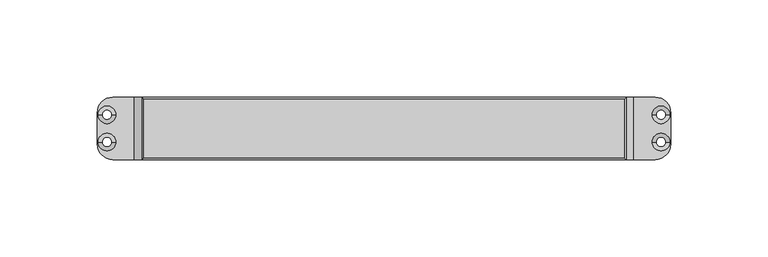
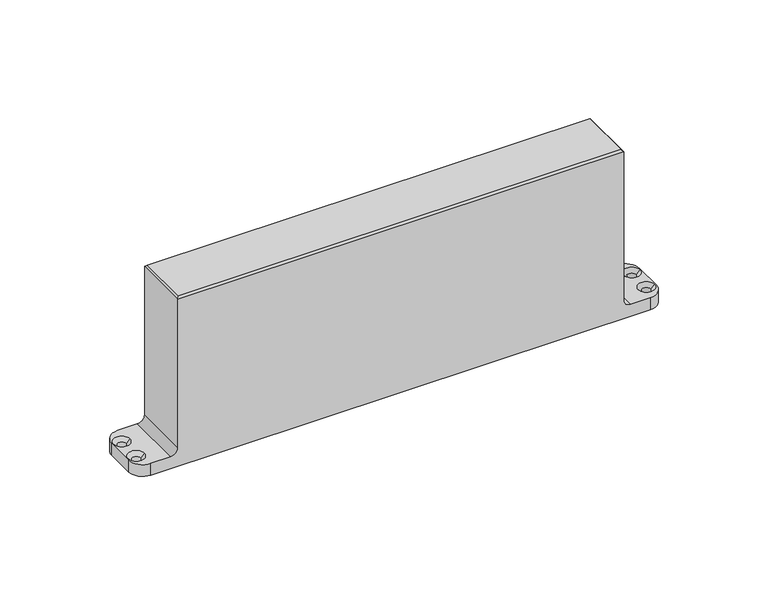
"""IFC4 building model written with IfcOpenShell, lengths in millimetres: proxy geometry."""

from ifc_helpers import new_model, si_unit, frame, origin, origin_with_axes, place, context, project, spatial, polyline, circle_curve, ellipse_curve, source, transform, mapped, element, save
from ifc_brep_helpers import plane_surface, cylinder_surface, revolved_surface, spline_surface, advanced_brep


def generic_models_6d0951c1(model_context):
    return source(origin(), model_context, "Body", "AdvancedBrep", [
        advanced_brep(
        [(7.5, 0.0, 1.0), (-7.5, 0.0, 1.0), (6.75, 0.0, -8.6), (-6.75, 0.0, -8.6)],
        [
            (0, 1, ellipse_curve(frame((0.0, 0.0, 1.0), z_axis=(0.0, 0.0, 1.0), x_axis=(-1.0, 0.0, 0.0)), 7.5, 4.8)),
            (1, 0, ellipse_curve(frame((0.0, 0.0, 1.0), z_axis=(0.0, 0.0, 1.0), x_axis=(-1.0, 0.0, 0.0)), 7.5, 4.8)),
            (2, 3, ellipse_curve(frame((0.0, 0.0, -8.6), z_axis=(0.0, 0.0, -1.0), x_axis=(-1.0, 0.0, 0.0)), 6.75, 4.0)),
            (3, 2, ellipse_curve(frame((0.0, 0.0, -8.6), z_axis=(0.0, 0.0, -1.0), x_axis=(-1.0, 0.0, 0.0)), 6.75, 4.0)),
            (3, 1),
            (0, 2),
        ],
        [
            plane_surface(frame((0.0, 0.0, 1.0), z_axis=(0.0, 0.0, 1.0), x_axis=(0.0, 1.0, 0.0))),
            plane_surface(frame((0.0, 0.0, -8.6), z_axis=(0.0, 0.0, -1.0), x_axis=(0.0, 1.0, 0.0))),
            spline_surface(2, 1, [[(6.75, 0.0, -8.6), (7.5, 0.0, 1.0)], [(6.75, 4.0, -8.6), (7.5, 4.8, 1.0)], [(0.0, 4.0, -8.6), (0.0, 4.8, 1.0)], [(-6.75, 4.0, -8.6), (-7.5, 4.8, 1.0)], [(-6.75, 0.0, -8.6), (-7.5, 0.0, 1.0)]], [3, 2, 3], [2, 2], [0.0, 1.0, 2.0], [0.0, 1.0], weights=[[1.0, 1.0], [0.7071067811865476, 0.7071067811865476], [1.0, 1.0], [0.7071067811865476, 0.7071067811865476], [1.0, 1.0]]),
            spline_surface(2, 1, [[(-6.75, 0.0, -8.6), (-7.5, 0.0, 1.0)], [(-6.75, -4.0, -8.6), (-7.5, -4.8, 1.0)], [(0.0, -4.0, -8.6), (0.0, -4.8, 1.0)], [(6.75, -4.0, -8.6), (7.5, -4.8, 1.0)], [(6.75, 0.0, -8.6), (7.5, 0.0, 1.0)]], [3, 2, 3], [2, 2], [0.0, 1.0, 2.0], [0.0, 1.0], weights=[[1.0, 1.0], [0.7071067811865476, 0.7071067811865476], [1.0, 1.0], [0.7071067811865476, 0.7071067811865476], [1.0, 1.0]]),
        ],
        [
            (0, [[1, 2]]),
            (1, [[3, 4]]),
            (2, [[-4, 5, -1, 6]]),
            (3, [[-3, -6, -2, -5]]),
        ],
    ),
        advanced_brep(
        [(213.9, -16.0, 7.0), (209.9, -16.0, 11.0), (209.9, -16.0, 98.6), (-39.0, -16.0, 98.6), (-39.0, -16.0, 11.0), (-43.0, -16.0, 7.0), (-54.0, -16.0, 7.0), (-54.0, -16.0, 0.0), (224.8, -16.0, 0.0), (224.8, -16.0, 7.0), (-43.0, 16.0, 7.0), (-39.0, 16.0, 11.0), (-39.0, 16.0, 98.6), (209.9, 16.0, 98.6), (209.9, 16.0, 11.0), (213.9, 16.0, 7.0), (224.8, 16.0, 7.0), (224.8, 16.0, 0.0), (-54.0, 16.0, 0.0), (-54.0, 16.0, 7.0), (-62.0, -8.0, 7.0), (-62.0, 8.0, 7.0), (-62.0, 8.0, 0.0), (-62.0, -8.0, 0.0), (232.8, 8.0, 0.0), (232.8, -8.0, 0.0), (-54.5, -7.0, 0.0), (-59.5, -7.0, 0.0), (-54.5, 7.0, 0.0), (-59.5, 7.0, 0.0), (230.3, -7.0, 0.0), (225.3, -7.0, 0.0), (230.3, 7.0, 0.0), (225.3, 7.0, 0.0), (-14.0, 0.0, 0.0), (14.0, 0.0, 0.0), (232.8, 8.0, 7.0), (232.8, -8.0, 7.0), (223.3, -7.0, 7.0), (232.3, -7.0, 7.0), (223.3, 7.0, 7.0), (232.3, 7.0, 7.0), (208.9, 15.0, 99.6), (-38.0, 15.0, 99.6), (-38.0, -15.0, 99.6), (208.9, -15.0, 99.6), (-61.5, -7.0, 7.0), (-52.5, -7.0, 7.0), (-61.5, 7.0, 7.0), (-52.5, 7.0, 7.0), (-54.5, -7.0, 5.0), (-59.5, -7.0, 5.0), (-54.5, 7.0, 5.0), (-59.5, 7.0, 5.0), (225.3, -7.0, 5.0), (230.3, -7.0, 5.0), (225.3, 7.0, 5.0), (230.3, 7.0, 5.0), (-14.0, 0.0, 1.0), (14.0, 0.0, 1.0)],
        [
            (0, 1, circle_curve(frame((213.9, -16.0, 11.0), z_axis=(0.0, 1.0, 0.0), x_axis=(1.0, 0.0, 0.0)), 4.0)),
            (1, 2),
            (2, 3),
            (3, 4),
            (4, 5, circle_curve(frame((-43.0, -16.0, 11.0), z_axis=(0.0, 1.0, 0.0), x_axis=(1.0, 0.0, 0.0)), 4.0)),
            (5, 6),
            (6, 7),
            (7, 8),
            (8, 9),
            (9, 0),
            (10, 11, circle_curve(frame((-43.0, 16.0, 11.0), z_axis=(0.0, -1.0, 0.0), x_axis=(1.0, 0.0, 0.0)), 4.0)),
            (11, 12),
            (12, 13),
            (13, 14),
            (14, 15, circle_curve(frame((213.9, 16.0, 11.0), z_axis=(0.0, -1.0, 0.0), x_axis=(1.0, 0.0, 0.0)), 4.0)),
            (15, 16),
            (16, 17),
            (17, 18),
            (18, 19),
            (19, 10),
            (20, 21),
            (21, 22),
            (22, 23),
            (23, 20),
            (7, 23, circle_curve(frame((-54.0, -8.0, 0.0), z_axis=(0.0, 0.0, -1.0), x_axis=(1.0, 0.0, 0.0)), 8.0)),
            (22, 18, circle_curve(frame((-54.0, 8.0, 0.0), z_axis=(0.0, 0.0, -1.0), x_axis=(1.0, 0.0, 0.0)), 8.0)),
            (17, 24, circle_curve(frame((224.8, 8.0, 0.0), z_axis=(0.0, 0.0, -1.0), x_axis=(-1.0, 0.0, 0.0)), 8.0)),
            (24, 25),
            (25, 8, circle_curve(frame((224.8, -8.0, 0.0), z_axis=(0.0, 0.0, -1.0), x_axis=(-1.0, 0.0, 0.0)), 8.0)),
            (26, 27, circle_curve(frame((-57.0, -7.0, 0.0), z_axis=(0.0, 0.0, 1.0), x_axis=(-1.0, 0.0, 0.0)), 2.5)),
            (27, 26, circle_curve(frame((-57.0, -7.0, 0.0), z_axis=(0.0, 0.0, 1.0), x_axis=(-1.0, 0.0, 0.0)), 2.5)),
            (28, 29, circle_curve(frame((-57.0, 7.0, 0.0), z_axis=(0.0, 0.0, 1.0), x_axis=(-1.0, 0.0, 0.0)), 2.5)),
            (29, 28, circle_curve(frame((-57.0, 7.0, 0.0), z_axis=(0.0, 0.0, 1.0), x_axis=(-1.0, 0.0, 0.0)), 2.5)),
            (30, 31, circle_curve(frame((227.8, -7.0, 0.0), z_axis=(0.0, 0.0, 1.0), x_axis=(1.0, 0.0, 0.0)), 2.5)),
            (31, 30, circle_curve(frame((227.8, -7.0, 0.0), z_axis=(0.0, 0.0, 1.0), x_axis=(1.0, 0.0, 0.0)), 2.5)),
            (32, 33, circle_curve(frame((227.8, 7.0, 0.0), z_axis=(0.0, 0.0, 1.0), x_axis=(1.0, 0.0, 0.0)), 2.5)),
            (33, 32, circle_curve(frame((227.8, 7.0, 0.0), z_axis=(0.0, 0.0, 1.0), x_axis=(1.0, 0.0, 0.0)), 2.5)),
            (34, 35, circle_curve(origin_with_axes(), 14.0)),
            (35, 34, circle_curve(origin_with_axes(), 14.0)),
            (24, 36),
            (36, 37),
            (37, 25),
            (15, 0),
            (9, 37, circle_curve(frame((224.8, -8.0, 7.0), z_axis=(0.0, 0.0, 1.0), x_axis=(-1.0, 0.0, 0.0)), 8.0)),
            (36, 16, circle_curve(frame((224.8, 8.0, 7.0), z_axis=(0.0, 0.0, 1.0), x_axis=(-1.0, 0.0, 0.0)), 8.0)),
            (38, 39, circle_curve(frame((227.8, -7.0, 7.0), z_axis=(0.0, 0.0, -1.0), x_axis=(1.0, 0.0, 0.0)), 4.5)),
            (39, 38, circle_curve(frame((227.8, -7.0, 7.0), z_axis=(0.0, 0.0, -1.0), x_axis=(1.0, 0.0, 0.0)), 4.5)),
            (40, 41, circle_curve(frame((227.8, 7.0, 7.0), z_axis=(0.0, 0.0, -1.0), x_axis=(1.0, 0.0, 0.0)), 4.5)),
            (41, 40, circle_curve(frame((227.8, 7.0, 7.0), z_axis=(0.0, 0.0, -1.0), x_axis=(1.0, 0.0, 0.0)), 4.5)),
            (14, 1),
            (13, 2),
            (42, 43),
            (43, 44),
            (44, 45),
            (45, 42),
            (11, 4),
            (3, 12),
            (10, 5),
            (19, 21, circle_curve(frame((-54.0, 8.0, 7.0), z_axis=(0.0, 0.0, 1.0), x_axis=(1.0, 0.0, 0.0)), 8.0)),
            (20, 6, circle_curve(frame((-54.0, -8.0, 7.0), z_axis=(0.0, 0.0, 1.0), x_axis=(1.0, 0.0, 0.0)), 8.0)),
            (46, 47, circle_curve(frame((-57.0, -7.0, 7.0), z_axis=(0.0, 0.0, -1.0), x_axis=(-1.0, 0.0, 0.0)), 4.5)),
            (47, 46, circle_curve(frame((-57.0, -7.0, 7.0), z_axis=(0.0, 0.0, -1.0), x_axis=(-1.0, 0.0, 0.0)), 4.5)),
            (48, 49, circle_curve(frame((-57.0, 7.0, 7.0), z_axis=(0.0, 0.0, -1.0), x_axis=(-1.0, 0.0, 0.0)), 4.5)),
            (49, 48, circle_curve(frame((-57.0, 7.0, 7.0), z_axis=(0.0, 0.0, -1.0), x_axis=(-1.0, 0.0, 0.0)), 4.5)),
            (50, 47),
            (46, 51),
            (51, 50, circle_curve(frame((-57.0, -7.0, 5.0), z_axis=(0.0, 0.0, -1.0), x_axis=(-1.0, 0.0, 0.0)), 2.5)),
            (50, 51, circle_curve(frame((-57.0, -7.0, 5.0), z_axis=(0.0, 0.0, -1.0), x_axis=(-1.0, 0.0, 0.0)), 2.5)),
            (51, 27),
            (26, 50),
            (52, 49),
            (48, 53),
            (53, 52, circle_curve(frame((-57.0, 7.0, 5.0), z_axis=(0.0, 0.0, -1.0), x_axis=(-1.0, 0.0, 0.0)), 2.5)),
            (52, 53, circle_curve(frame((-57.0, 7.0, 5.0), z_axis=(0.0, 0.0, -1.0), x_axis=(-1.0, 0.0, 0.0)), 2.5)),
            (53, 29),
            (28, 52),
            (38, 54),
            (54, 55, circle_curve(frame((227.8, -7.0, 5.0), z_axis=(0.0, 0.0, -1.0), x_axis=(1.0, 0.0, 0.0)), 2.5)),
            (55, 39),
            (55, 54, circle_curve(frame((227.8, -7.0, 5.0), z_axis=(0.0, 0.0, -1.0), x_axis=(1.0, 0.0, 0.0)), 2.5)),
            (54, 31),
            (30, 55),
            (40, 56),
            (56, 57, circle_curve(frame((227.8, 7.0, 5.0), z_axis=(0.0, 0.0, -1.0), x_axis=(1.0, 0.0, 0.0)), 2.5)),
            (57, 41),
            (57, 56, circle_curve(frame((227.8, 7.0, 5.0), z_axis=(0.0, 0.0, -1.0), x_axis=(1.0, 0.0, 0.0)), 2.5)),
            (56, 33),
            (32, 57),
            (42, 13),
            (12, 43),
            (45, 2),
            (44, 3),
            (58, 59, circle_curve(frame((0.0, 0.0, 1.0), z_axis=(0.0, 0.0, -1.0), x_axis=(1.0, 0.0, 0.0)), 14.0)),
            (59, 58, circle_curve(frame((0.0, 0.0, 1.0), z_axis=(0.0, 0.0, -1.0), x_axis=(1.0, 0.0, 0.0)), 14.0)),
            (59, 35),
            (34, 58),
        ],
        [
            plane_surface(frame((-62.0, -16.0, 0.0), z_axis=(0.0, -1.0, 0.0), x_axis=(0.0, 0.0, -1.0))),
            plane_surface(frame((-62.0, 16.0, 0.0), z_axis=(0.0, 1.0, 0.0), x_axis=(0.0, 0.0, 1.0))),
            plane_surface(frame((-62.0, -16.0, 7.0), z_axis=(-1.0, 0.0, 0.0), x_axis=(0.0, 1.0, 0.0))),
            plane_surface(frame((-62.0, -16.0, 0.0), z_axis=(0.0, 0.0, -1.0), x_axis=(0.0, 1.0, 0.0))),
            plane_surface(frame((232.8, -16.0, 0.0), z_axis=(1.0, 0.0, 0.0), x_axis=(0.0, 1.0, 0.0))),
            plane_surface(frame((232.8, -16.0, 7.0), z_axis=(0.0, 0.0, 1.0), x_axis=(0.0, 1.0, 0.0))),
            revolved_surface(polyline([(217.9, 16.0, 11.0), (217.9, -16.0, 11.0)]), (213.9, 16.0, 11.0), (0.0, 1.0, 0.0)),
            plane_surface(frame((209.9, -16.0, 11.0), z_axis=(1.0, 0.0, 0.0), x_axis=(0.0, 1.0, 0.0))),
            plane_surface(frame((209.9, -16.0, 99.6), z_axis=(0.0, 0.0, 1.0), x_axis=(0.0, 1.0, 0.0))),
            plane_surface(frame((-39.0, -16.0, 99.6), z_axis=(-1.0, 0.0, 0.0), x_axis=(0.0, 1.0, 0.0))),
            revolved_surface(polyline([(-39.0, 16.0, 11.0), (-39.0, -16.0, 11.0)]), (-43.0, 16.0, 11.0), (0.0, 1.0, 0.0)),
            plane_surface(frame((-43.0, -16.0, 7.0), z_axis=(0.0, 0.0, 1.0), x_axis=(0.0, 1.0, 0.0))),
            cylinder_surface(frame((-54.0, -8.0, 0.0), z_axis=(0.0, 0.0, -1.0), x_axis=(1.0, 0.0, 0.0)), 8.0),
            cylinder_surface(frame((-54.0, 8.0, 0.0), z_axis=(0.0, 0.0, -1.0), x_axis=(1.0, 0.0, 0.0)), 8.0),
            cylinder_surface(frame((224.8, -8.0, 0.0), z_axis=(0.0, 0.0, -1.0), x_axis=(-1.0, 0.0, 0.0)), 8.0),
            cylinder_surface(frame((224.8, 8.0, 0.0), z_axis=(0.0, 0.0, -1.0), x_axis=(-1.0, 0.0, 0.0)), 8.0),
            revolved_surface(polyline([(-59.5, -7.0, 5.0), (-61.5, -7.0, 7.0)]), (-57.0, -7.0, 7.0), (0.0, 0.0, -1.0)),
            revolved_surface(polyline([(-59.5, -7.0, 0.0), (-59.5, -7.0, 5.0)]), (-57.0, -7.0, 7.0), (0.0, 0.0, -1.0)),
            revolved_surface(polyline([(-59.5, 7.0, 5.0), (-61.5, 7.0, 7.0)]), (-57.0, 7.0, 7.0), (0.0, 0.0, -1.0)),
            revolved_surface(polyline([(-59.5, 7.0, 0.0), (-59.5, 7.0, 5.0)]), (-57.0, 7.0, 7.0), (0.0, 0.0, -1.0)),
            revolved_surface(polyline([(232.3, -7.0, 7.0), (230.3, -7.0, 5.0)]), (227.8, -7.0, 7.0), (0.0, 0.0, 1.0)),
            revolved_surface(polyline([(230.3, -7.0, 5.0), (230.3, -7.0, 0.0)]), (227.8, -7.0, 7.0), (0.0, 0.0, 1.0)),
            revolved_surface(polyline([(232.3, 7.0, 7.0), (230.3, 7.0, 5.0)]), (227.8, 7.0, 7.0), (0.0, 0.0, 1.0)),
            revolved_surface(polyline([(230.3, 7.0, 5.0), (230.3, 7.0, 0.0)]), (227.8, 7.0, 7.0), (0.0, 0.0, 1.0)),
            plane_surface(frame((-39.0, 16.0, 98.6), z_axis=(0.0, 0.7071067811865517, 0.7071067811865435), x_axis=(1.0, 0.0, 0.0))),
            plane_surface(frame((209.9, 16.0, 98.6), z_axis=(0.7071067811865528, 0.0, 0.7071067811865424), x_axis=(0.0, -1.0, 0.0))),
            plane_surface(frame((209.9, -16.0, 98.6), z_axis=(0.0, -0.7071067811865517, 0.7071067811865435), x_axis=(-1.0, 0.0, 0.0))),
            plane_surface(frame((-39.0, -16.0, 98.6), z_axis=(-0.7071067811865506, 0.0, 0.7071067811865446), x_axis=(0.0, 1.0, 0.0))),
            plane_surface(frame((14.0, 0.0, 1.0), z_axis=(0.0, 0.0, -1.0), x_axis=(0.0, 1.0, 0.0))),
            revolved_surface(polyline([(14.0, 0.0, 1.0), (14.0, 0.0, 0.0)]), (0.0, 0.0, 0.0), (0.0, 0.0, 1.0)),
        ],
        [
            (0, [[1, 2, 3, 4, 5, 6, 7, 8, 9, 10]]),
            (1, [[11, 12, 13, 14, 15, 16, 17, 18, 19, 20]]),
            (2, [[21, 22, 23, 24]]),
            (3, [[-8, 25, -23, 26, -18, 27, 28, 29], [30, 31], [32, 33], [34, 35], [36, 37], [38, 39]]),
            (4, [[-28, 40, 41, 42]]),
            (5, [[43, -10, 44, -41, 45, -16], [46, 47], [48, 49]]),
            (6, [[-1, -43, -15, 50]]),
            (7, [[-50, -14, 51, -2]]),
            (8, [[52, 53, 54, 55]]),
            (9, [[56, -4, 57, -12]]),
            (10, [[-5, -56, -11, 58]]),
            (11, [[-58, -20, 59, -21, 60, -6], [61, 62], [63, 64]]),
            (12, [[-7, -60, -24, -25]]),
            (13, [[-19, -26, -22, -59]]),
            (14, [[-9, -29, -42, -44]]),
            (15, [[-17, -45, -40, -27]]),
            (16, [[65, -61, 66, 67]]),
            (16, [[-65, 68, -66, -62]]),
            (17, [[-67, 69, -30, 70]]),
            (17, [[-68, -70, -31, -69]]),
            (18, [[71, -63, 72, 73]]),
            (18, [[-71, 74, -72, -64]]),
            (19, [[-73, 75, -32, 76]]),
            (19, [[-74, -76, -33, -75]]),
            (20, [[77, 78, 79, -46]]),
            (20, [[-77, -47, -79, 80]]),
            (21, [[-78, 81, -34, 82]]),
            (21, [[-80, -82, -35, -81]]),
            (22, [[83, 84, 85, -48]]),
            (22, [[-83, -49, -85, 86]]),
            (23, [[-84, 87, -36, 88]]),
            (23, [[-86, -88, -37, -87]]),
            (24, [[89, -13, 90, -52]]),
            (25, [[-89, -55, 91, -51]]),
            (26, [[-91, -54, 92, -3]]),
            (27, [[-90, -57, -92, -53]]),
            (28, [[93, 94]]),
            (29, [[-94, 95, -38, 96]]),
            (29, [[-93, -96, -39, -95]]),
        ],
    ),
    ])


if __name__ == "__main__":
    model = new_model("IFC4")
    model_context = context("Model", 3, world=origin())
    ifc_project = project(units=[si_unit("LENGTHUNIT", "METRE", prefix="MILLI")], contexts=[model_context])
    site = spatial("IfcSite", under=ifc_project)
    building = spatial("IfcBuilding", under=site)
    placement = place(None, origin())
    generic_models_shape = generic_models_6d0951c1(model_context)
    element("IfcBuildingElementProxy", 1, Name="Generic Models", at=placement, inside=building, context=model_context, shape_type="MappedRepresentation", body=[
        mapped(generic_models_shape, transform((0.0, 0.0, 0.0), x_axis=(1.0, 0.0, 0.0), y_axis=(0.0, 1.0, 0.0), z_axis=(0.0, 0.0, 1.0))),
    ])
    save(model, "model.ifc")
